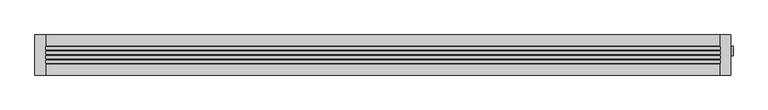
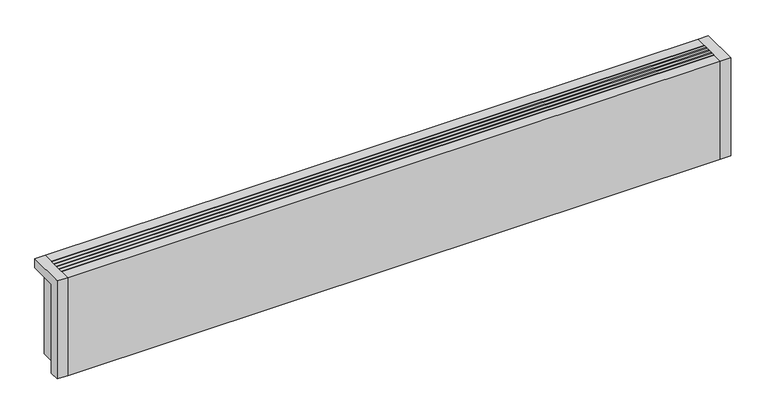
"""IFC4 building model written with IfcOpenShell, lengths in millimetres: proxy geometry."""

from ifc_helpers import new_model, si_unit, point, frame, frame_2d, origin, origin_with_axes, place, context, project, spatial, polyline, circle_curve, ellipse_curve, trimmed, segment, composite_curve, outline, extrude, source, transform, mapped, element, save
from ifc_brep_helpers import plane_surface, cylinder_surface, revolved_surface, advanced_brep


def mechanical_equipment_dc47a771(model_context):
    return source(origin(), model_context, "Body", "SolidModel", [
        extrude(outline(composite_curve([segment(trimmed(circle_curve(frame_2d((7.5, 77.0)), 7.5), [point((15.0, 77.0))], [point((0.0, 77.0))], False, "CARTESIAN"), True, "CONTINUOUS"), segment(trimmed(circle_curve(frame_2d((7.5, 77.0)), 7.5), [point((0.0, 77.0))], [point((15.0, 77.0))], False, "CARTESIAN"), True, "CONTINUOUS")], self_intersect=False)), frame((1244.0, 0.0, 0.0), z_axis=(1.0, 0.0, 0.0), x_axis=(0.0, 1.0, 0.0)), (0.0, 0.0, 1.0), 38.0),
        advanced_brep(
        [(1282.0, 7.5, 77.0), (1282.0, 19.8236127, 77.0), (1282.0, -4.8236127, 77.0), (1304.3972754, -1.4373094, 77.0), (1304.3972754, 16.4373094, 77.0), (1304.3972754, 7.5, 77.0)],
        [
            (0, 1),
            (1, 2, circle_curve(frame((1282.0, 7.5, 77.0), z_axis=(-1.0, 0.0, 0.0), x_axis=(0.0, 1.0, 0.0)), 12.3236127)),
            (2, 0),
            (2, 1, circle_curve(frame((1282.0, 7.5, 77.0), z_axis=(-1.0, 0.0, 0.0), x_axis=(0.0, 1.0, 0.0)), 12.3236127)),
            (3, 4, circle_curve(frame((1304.3972754, 7.5, 77.0), z_axis=(1.0, 0.0, 0.0), x_axis=(0.0, 1.0, 0.0)), 8.9373094)),
            (4, 5),
            (5, 3),
            (4, 3, circle_curve(frame((1304.3972754, 7.5, 77.0), z_axis=(1.0, 0.0, 0.0), x_axis=(0.0, 1.0, 0.0)), 8.9373094)),
            (1, 4, circle_curve(frame((1282.930269, -49.7853335, 77.0), z_axis=(0.0, 0.0, -1.0), x_axis=(1.0, 0.0, 0.0)), 69.6151621)),
            (3, 2, circle_curve(frame((1282.930269, 64.7853335, 77.0), z_axis=(0.0, 0.0, -1.0), x_axis=(1.0, 0.0, 0.0)), 69.6151621)),
        ],
        [
            plane_surface(frame((1282.0, 7.5, 77.0), z_axis=(-1.0, 0.0, 0.0), x_axis=(0.0, 1.0, 0.0))),
            plane_surface(frame((1304.3972754, 7.5, 77.0), z_axis=(1.0, 0.0, 0.0), x_axis=(0.0, 1.0, 0.0))),
            revolved_surface(trimmed(ellipse_curve(frame((1282.930269, -49.7853335, 77.0), z_axis=(0.0, 0.0, 1.0), x_axis=(1.0, 0.0, 0.0)), 69.6151621, 69.6151621), [point((1304.3972754, 16.4373094, 77.0))], [point((1282.0, 19.8236127, 77.0))], True, "CARTESIAN"), (1310.1181216, 7.5, 77.0), (-1.0, 0.0, 0.0)),
        ],
        [
            (0, [[1, 2, 3]]),
            (0, [[-3, 4, -1]]),
            (1, [[5, 6, 7]]),
            (1, [[8, -7, -6]]),
            (2, [[-2, 9, -5, 10]]),
            (2, [[-4, -10, -8, -9]]),
        ],
    ),
        advanced_brep(
        [(1150.0, 7.5, 19.5), (1150.0, 7.5, 34.5), (1186.5, 7.5, 19.5), (1201.5, 7.5, 34.5), (1186.5, 7.5, 0.0), (1201.5, 7.5, 0.0)],
        [
            (0, 1, circle_curve(frame((1150.0, 7.5, 27.0), z_axis=(-1.0, 0.0, 0.0), x_axis=(0.0, 0.0, 1.0)), 7.5)),
            (1, 0, circle_curve(frame((1150.0, 7.5, 27.0), z_axis=(-1.0, 0.0, 0.0), x_axis=(0.0, 0.0, 1.0)), 7.5)),
            (0, 2),
            (2, 3, ellipse_curve(frame((1194.0, 7.5, 27.0), z_axis=(-0.7071067811865469, 0.0, 0.707106781186548), x_axis=(-0.7071067811865481, 0.0, -0.7071067811865468)), 10.6066017, 7.5)),
            (3, 1),
            (3, 2, ellipse_curve(frame((1194.0, 7.5, 27.0), z_axis=(-0.7071067811865469, 0.0, 0.707106781186548), x_axis=(-0.7071067811865481, 0.0, -0.7071067811865468)), 10.6066017, 7.5)),
            (4, 5, circle_curve(frame((1194.0, 7.5, 0.0), z_axis=(0.0, 0.0, -1.0), x_axis=(1.0, 0.0, 0.0)), 7.5)),
            (5, 4, circle_curve(frame((1194.0, 7.5, 0.0), z_axis=(0.0, 0.0, -1.0), x_axis=(1.0, 0.0, 0.0)), 7.5)),
            (2, 4),
            (5, 3),
        ],
        [
            plane_surface(frame((1150.0, 7.5, 27.0), z_axis=(-1.0, 0.0, 0.0), x_axis=(0.0, -1.0, 0.0))),
            cylinder_surface(frame((1150.0, 7.5, 27.0), z_axis=(-1.0, 0.0, 0.0), x_axis=(0.0, 0.0, 1.0)), 7.5),
            plane_surface(frame((1194.0, 7.5, 0.0), z_axis=(0.0, 0.0, -1.0), x_axis=(0.0, -1.0, 0.0))),
            cylinder_surface(frame((1194.0, 7.5, 27.0), z_axis=(0.0, 0.0, 1.0), x_axis=(1.0, 0.0, 0.0)), 7.5),
        ],
        [
            (0, [[1, 2]]),
            (1, [[-1, 3, 4, 5]]),
            (1, [[-2, -5, 6, -3]]),
            (2, [[7, 8]]),
            (3, [[-4, 9, -8, 10]]),
            (3, [[-6, -10, -7, -9]]),
        ],
    ),
        advanced_brep(
        [(1150.0, 7.5, 69.5), (1150.0, 7.5, 84.5), (1236.5, 7.5, 69.5), (1251.5, 7.5, 84.5), (1236.5, 7.5, 0.0), (1251.5, 7.5, 0.0)],
        [
            (0, 1, circle_curve(frame((1150.0, 7.5, 77.0), z_axis=(-1.0, 0.0, 0.0), x_axis=(0.0, 0.0, 1.0)), 7.5)),
            (1, 0, circle_curve(frame((1150.0, 7.5, 77.0), z_axis=(-1.0, 0.0, 0.0), x_axis=(0.0, 0.0, 1.0)), 7.5)),
            (0, 2),
            (2, 3, ellipse_curve(frame((1244.0, 7.5, 77.0), z_axis=(-0.7071067811865469, 0.0, 0.707106781186548), x_axis=(-0.7071067811865481, 0.0, -0.7071067811865468)), 10.6066017, 7.5)),
            (3, 1),
            (3, 2, ellipse_curve(frame((1244.0, 7.5, 77.0), z_axis=(-0.7071067811865469, 0.0, 0.707106781186548), x_axis=(-0.7071067811865481, 0.0, -0.7071067811865468)), 10.6066017, 7.5)),
            (4, 5, circle_curve(frame((1244.0, 7.5, 0.0), z_axis=(0.0, 0.0, -1.0), x_axis=(1.0, 0.0, 0.0)), 7.5)),
            (5, 4, circle_curve(frame((1244.0, 7.5, 0.0), z_axis=(0.0, 0.0, -1.0), x_axis=(1.0, 0.0, 0.0)), 7.5)),
            (2, 4),
            (5, 3),
        ],
        [
            plane_surface(frame((1150.0, 7.5, 77.0), z_axis=(-1.0, 0.0, 0.0), x_axis=(0.0, -1.0, 0.0))),
            cylinder_surface(frame((1150.0, 7.5, 77.0), z_axis=(-1.0, 0.0, 0.0), x_axis=(0.0, 0.0, 1.0)), 7.5),
            plane_surface(frame((1244.0, 7.5, 0.0), z_axis=(0.0, 0.0, -1.0), x_axis=(0.0, -1.0, 0.0))),
            cylinder_surface(frame((1244.0, 7.5, 77.0), z_axis=(0.0, 0.0, 1.0), x_axis=(1.0, 0.0, 0.0)), 7.5),
        ],
        [
            (0, [[1, 2]]),
            (1, [[-1, 3, 4, 5]]),
            (1, [[-2, -5, 6, -3]]),
            (2, [[7, 8]]),
            (3, [[-4, 9, -8, 10]]),
            (3, [[-6, -10, -7, -9]]),
        ],
    ),
        extrude(outline(polyline([(20.0, -1.1666667), (1280.0, -1.1666667), (1280.0, -7.1666667), (20.0, -7.1666667), (20.0, -1.1666667)])), frame((0.0, 0.0, 182.0), z_axis=(0.0, 0.0, 1.0), x_axis=(1.0, 0.0, 0.0)), (0.0, 0.0, 1.0), 18.0),
        extrude(outline(polyline([(20.0, 7.1666667), (1280.0, 7.1666667), (1280.0, 1.1666667), (20.0, 1.1666667), (20.0, 7.1666667)])), frame((0.0, 0.0, 182.0), z_axis=(0.0, 0.0, 1.0), x_axis=(1.0, 0.0, 0.0)), (0.0, 0.0, 1.0), 18.0),
        extrude(outline(polyline([(20.0, -9.5), (1280.0, -9.5), (1280.0, -15.5), (20.0, -15.5), (20.0, -9.5)])), frame((0.0, 0.0, 182.0), z_axis=(0.0, 0.0, 1.0), x_axis=(1.0, 0.0, 0.0)), (0.0, 0.0, 1.0), 18.0),
        extrude(outline(polyline([(20.0, 15.5), (1280.0, 15.5), (1280.0, 9.5), (20.0, 9.5), (20.0, 15.5)])), frame((0.0, 0.0, 182.0), z_axis=(0.0, 0.0, 1.0), x_axis=(1.0, 0.0, 0.0)), (0.0, 0.0, 1.0), 18.0),
        extrude(outline(polyline([(1280.0, 17.5), (20.0, 17.5), (20.0, 37.5), (1280.0, 37.5), (1280.0, 17.5)])), origin_with_axes(), (0.0, 0.0, 1.0), 181.0),
        advanced_brep(
        [(1280.0, -37.5, 200.0), (1300.0, -37.5, 200.0), (1300.0, 37.5, 200.0), (1280.0, 37.5, 200.0), (20.0, 37.5, 200.0), (0.0, 37.5, 200.0), (0.0, -37.5, 200.0), (20.0, -37.5, 200.0), (20.0, -37.5, 0.0), (0.0, -37.5, 0.0), (0.0, -17.5, 0.0), (18.0, -17.5, 0.0), (18.0, 37.5, 0.0), (20.0, 37.5, 0.0), (20.0, 17.5, 0.0), (1280.0, 17.5, 0.0), (1280.0, 37.5, 0.0), (1282.0, 37.5, 0.0), (1282.0, -17.5, 0.0), (1300.0, -17.5, 0.0), (1300.0, -37.5, 0.0), (1280.0, -37.5, 0.0), (1280.0, -17.5, 0.0), (20.0, -17.5, 0.0), (1186.5, 7.5, 0.0), (1201.5, 7.5, 0.0), (1236.5, 7.5, 0.0), (1251.5, 7.5, 0.0), (20.0, -17.5, 181.0), (20.0, 17.5, 181.0), (1280.0, -17.5, 20.0), (1150.0, -17.5, 20.0), (1150.0, -17.5, 181.0), (1280.0, 17.5, 20.0), (1280.0, 14.6414284, 20.0), (1280.0, 17.5, 27.0), (1280.0, -2.5, 27.0), (1280.0, 0.3585716, 20.0), (1280.0, -2.5, 77.0), (1280.0, 17.5, 77.0), (1300.0, -17.5, 181.0), (1300.0, 37.5, 181.0), (1282.0, 37.5, 181.0), (1150.0, 17.5, 181.0), (1150.0, 17.5, 20.0), (18.0, 37.5, 181.0), (0.0, 37.5, 181.0), (0.0, -17.5, 181.0), (1282.0, -17.5, 181.0), (1282.0, 17.5, 27.0), (1282.0, -2.5, 27.0), (1282.0, 17.5, 77.0), (1282.0, -2.5, 77.0), (18.0, -17.5, 181.0), (1186.5, 7.5, 5.0), (1201.5, 7.5, 5.0), (1236.5, 7.5, 5.0), (1251.5, 7.5, 5.0)],
        [
            (0, 1),
            (1, 2),
            (2, 3),
            (3, 0),
            (4, 5),
            (5, 6),
            (6, 7),
            (7, 4),
            (8, 9),
            (9, 10),
            (10, 11),
            (11, 12),
            (12, 13),
            (13, 14),
            (14, 15),
            (15, 16),
            (16, 17),
            (17, 18),
            (18, 19),
            (19, 20),
            (20, 21),
            (21, 22),
            (22, 23),
            (23, 8),
            (24, 25, circle_curve(frame((1194.0, 7.5, 0.0), z_axis=(0.0, 0.0, 1.0), x_axis=(1.0, 0.0, 0.0)), 7.5)),
            (25, 24, circle_curve(frame((1194.0, 7.5, 0.0), z_axis=(0.0, 0.0, 1.0), x_axis=(1.0, 0.0, 0.0)), 7.5)),
            (26, 27, circle_curve(frame((1244.0, 7.5, 0.0), z_axis=(0.0, 0.0, 1.0), x_axis=(1.0, 0.0, 0.0)), 7.5)),
            (27, 26, circle_curve(frame((1244.0, 7.5, 0.0), z_axis=(0.0, 0.0, 1.0), x_axis=(1.0, 0.0, 0.0)), 7.5)),
            (13, 4),
            (7, 8),
            (23, 28),
            (28, 29),
            (29, 14),
            (22, 30),
            (30, 31),
            (31, 32),
            (32, 28),
            (15, 33),
            (33, 34),
            (34, 35, circle_curve(frame((1280.0, 7.5, 27.0), z_axis=(1.0, 0.0, 0.0), x_axis=(0.0, 1.0, 0.0)), 10.0)),
            (35, 36, circle_curve(frame((1280.0, 7.5, 27.0), z_axis=(1.0, 0.0, 0.0), x_axis=(0.0, 1.0, 0.0)), 10.0)),
            (36, 37, circle_curve(frame((1280.0, 7.5, 27.0), z_axis=(1.0, 0.0, 0.0), x_axis=(0.0, 1.0, 0.0)), 10.0)),
            (37, 30),
            (21, 0),
            (3, 16),
            (38, 39, circle_curve(frame((1280.0, 7.5, 77.0), z_axis=(1.0, 0.0, 0.0), x_axis=(0.0, 1.0, 0.0)), 10.0)),
            (39, 38, circle_curve(frame((1280.0, 7.5, 77.0), z_axis=(1.0, 0.0, 0.0), x_axis=(0.0, 1.0, 0.0)), 10.0)),
            (20, 1),
            (19, 40),
            (40, 41),
            (41, 2),
            (41, 42),
            (42, 17),
            (29, 43),
            (43, 44),
            (44, 33),
            (12, 45),
            (45, 46),
            (46, 5),
            (46, 47),
            (47, 10),
            (9, 6),
            (32, 43),
            (44, 31),
            (37, 34),
            (40, 48),
            (48, 42),
            (48, 18),
            (49, 50, circle_curve(frame((1282.0, 7.5, 27.0), z_axis=(-1.0, 0.0, 0.0), x_axis=(0.0, 1.0, 0.0)), 10.0)),
            (50, 49, circle_curve(frame((1282.0, 7.5, 27.0), z_axis=(-1.0, 0.0, 0.0), x_axis=(0.0, 1.0, 0.0)), 10.0)),
            (51, 52, circle_curve(frame((1282.0, 7.5, 77.0), z_axis=(-1.0, 0.0, 0.0), x_axis=(0.0, 1.0, 0.0)), 10.0)),
            (52, 51, circle_curve(frame((1282.0, 7.5, 77.0), z_axis=(-1.0, 0.0, 0.0), x_axis=(0.0, 1.0, 0.0)), 10.0)),
            (45, 53),
            (53, 47),
            (11, 53),
            (37, 34, circle_curve(frame((1280.0, 7.5, 27.0), z_axis=(1.0, 0.0, 0.0), x_axis=(0.0, 1.0, 0.0)), 10.0)),
            (36, 50),
            (49, 35),
            (38, 52),
            (51, 39),
            (54, 55, circle_curve(frame((1194.0, 7.5, 5.0), z_axis=(0.0, 0.0, -1.0), x_axis=(1.0, 0.0, 0.0)), 7.5)),
            (55, 54, circle_curve(frame((1194.0, 7.5, 5.0), z_axis=(0.0, 0.0, -1.0), x_axis=(1.0, 0.0, 0.0)), 7.5)),
            (56, 57, circle_curve(frame((1244.0, 7.5, 5.0), z_axis=(0.0, 0.0, -1.0), x_axis=(1.0, 0.0, 0.0)), 7.5)),
            (57, 56, circle_curve(frame((1244.0, 7.5, 5.0), z_axis=(0.0, 0.0, -1.0), x_axis=(1.0, 0.0, 0.0)), 7.5)),
            (55, 25),
            (24, 54),
            (57, 27),
            (26, 56),
        ],
        [
            plane_surface(frame((20.0, -37.5, 200.0), z_axis=(0.0, 0.0, 1.0), x_axis=(0.0, 1.0, 0.0))),
            plane_surface(frame((20.0, -37.5, 0.0), z_axis=(0.0, 0.0, -1.0), x_axis=(0.0, -1.0, 0.0))),
            plane_surface(frame((20.0, -37.5, 200.0), z_axis=(1.0, 0.0, 0.0), x_axis=(0.0, 0.0, -1.0))),
            plane_surface(frame((20.0, -17.5, 200.0), z_axis=(0.0, -1.0, 0.0), x_axis=(0.0, 0.0, -1.0))),
            plane_surface(frame((1280.0, -17.5, 200.0), z_axis=(-1.0, 0.0, 0.0), x_axis=(0.0, 0.0, -1.0))),
            plane_surface(frame((1280.0, -37.5, 200.0), z_axis=(0.0, -1.0, 0.0), x_axis=(0.0, 0.0, -1.0))),
            plane_surface(frame((1300.0, -37.5, 200.0), z_axis=(1.0, 0.0, 0.0), x_axis=(0.0, 0.0, -1.0))),
            plane_surface(frame((1300.0, 37.5, 200.0), z_axis=(0.0, 1.0, 0.0), x_axis=(0.0, 0.0, -1.0))),
            plane_surface(frame((1280.0, 17.5, 200.0), z_axis=(0.0, 1.0, 0.0), x_axis=(0.0, 0.0, -1.0))),
            plane_surface(frame((20.0, 37.5, 200.0), z_axis=(0.0, 1.0, 0.0), x_axis=(0.0, 0.0, -1.0))),
            plane_surface(frame((0.0, 37.5, 200.0), z_axis=(-1.0, 0.0, 0.0), x_axis=(0.0, 0.0, -1.0))),
            plane_surface(frame((0.0, -37.5, 200.0), z_axis=(0.0, -1.0, 0.0), x_axis=(0.0, 0.0, -1.0))),
            plane_surface(frame((20.0, 17.5, 181.0), z_axis=(0.0, 0.0, 1.0), x_axis=(1.0, 0.0, 0.0))),
            plane_surface(frame((1150.0, 17.5, 20.0), z_axis=(0.0, 0.0, 1.0), x_axis=(0.0, 1.0, 0.0))),
            plane_surface(frame((1150.0, 17.5, 200.0), z_axis=(1.0, 0.0, 0.0), x_axis=(0.0, 0.0, -1.0))),
            plane_surface(frame((1282.0, 37.5, 181.0), z_axis=(0.0, 0.0, -1.0), x_axis=(0.0, -1.0, 0.0))),
            plane_surface(frame((1282.0, 37.5, 181.0), z_axis=(1.0, 0.0, 0.0), x_axis=(0.0, 0.0, -1.0))),
            plane_surface(frame((1282.0, -17.5, 181.0), z_axis=(0.0, 1.0, 0.0), x_axis=(0.0, 0.0, -1.0))),
            plane_surface(frame((0.0, 37.5, 181.0), z_axis=(0.0, 0.0, -1.0), x_axis=(-1.0, 0.0, 0.0))),
            plane_surface(frame((18.0, -17.5, 181.0), z_axis=(-1.0, 0.0, 0.0), x_axis=(0.0, 0.0, -1.0))),
            plane_surface(frame((0.0, -17.5, 181.0), z_axis=(0.0, 1.0, 0.0), x_axis=(0.0, 0.0, -1.0))),
            plane_surface(frame((1280.0, 17.5, 27.0), z_axis=(1.0, 0.0, 0.0), x_axis=(0.0, 0.0, -1.0))),
            revolved_surface(polyline([(1282.0, 17.5, 27.0), (1280.0, 17.5, 27.0)]), (1280.0, 7.5, 27.0), (1.0, 0.0, 0.0)),
            revolved_surface(polyline([(1282.0, 17.5, 77.0), (1280.0, 17.5, 77.0)]), (0.0, 7.5, 77.0), (1.0, 0.0, 0.0)),
            plane_surface(frame((1201.5, 7.5, 5.0), z_axis=(0.0, 0.0, -1.0), x_axis=(0.0, 1.0, 0.0))),
            revolved_surface(polyline([(1201.5, 7.5, 5.0), (1201.5, 7.5, 0.0)]), (1194.0, 7.5, 0.0), (0.0, 0.0, 1.0)),
            revolved_surface(polyline([(1251.5, 7.5, 5.0), (1251.5, 7.5, 0.0)]), (1244.0, 7.5, 0.0), (0.0, 0.0, 1.0)),
        ],
        [
            (0, [[1, 2, 3, 4]]),
            (0, [[5, 6, 7, 8]]),
            (1, [[9, 10, 11, 12, 13, 14, 15, 16, 17, 18, 19, 20, 21, 22, 23, 24], [25, 26], [27, 28]]),
            (2, [[-14, 29, -8, 30, -24, 31, 32, 33]]),
            (3, [[-23, 34, 35, 36, 37, -31]]),
            (4, [[-16, 38, 39, 40, 41, 42, 43, -34, -22, 44, -4, 45], [46, 47]]),
            (5, [[-1, -44, -21, 48]]),
            (6, [[-2, -48, -20, 49, 50, 51]]),
            (7, [[-3, -51, 52, 53, -17, -45]]),
            (8, [[-15, -33, 54, 55, 56, -38]]),
            (9, [[-5, -29, -13, 57, 58, 59]]),
            (10, [[-6, -59, 60, 61, -10, 62]]),
            (11, [[-7, -62, -9, -30]]),
            (12, [[-32, -37, 63, -54]]),
            (13, [[64, -35, -43, 65, -39, -56]]),
            (14, [[-64, -55, -63, -36]]),
            (15, [[66, 67, -52, -50]]),
            (16, [[-67, 68, -18, -53], [69, 70], [71, 72]]),
            (17, [[-66, -49, -19, -68]]),
            (18, [[73, 74, -60, -58]]),
            (19, [[-73, -57, -12, 75]]),
            (20, [[-74, -75, -11, -61]]),
            (21, [[76, -65]]),
            (22, [[-76, -42, 77, -69, 78, -40]]),
            (22, [[-77, -41, -78, -70]]),
            (23, [[79, -71, 80, -46]]),
            (23, [[-79, -47, -80, -72]]),
            (24, [[81, 82]]),
            (24, [[83, 84]]),
            (25, [[-82, 85, -25, 86]]),
            (25, [[-81, -86, -26, -85]]),
            (26, [[-84, 87, -27, 88]]),
            (26, [[-83, -88, -28, -87]]),
        ],
    ),
        extrude(outline(polyline([(1280.0, 17.5), (20.0, 17.5), (20.0, 37.5), (1280.0, 37.5), (1280.0, 17.5)])), frame((0.0, 0.0, 181.0), z_axis=(0.0, 0.0, 1.0), x_axis=(1.0, 0.0, 0.0)), (0.0, 0.0, 1.0), 19.0),
        extrude(outline(polyline([(1280.0, -37.5), (20.0, -37.5), (20.0, -17.5), (1280.0, -17.5), (1280.0, -37.5)])), origin_with_axes(), (0.0, 0.0, 1.0), 200.0),
        extrude(outline(composite_curve([segment(trimmed(circle_curve(frame_2d((7.5, 77.0)), 10.0), [point((-2.5, 77.0))], [point((17.5, 77.0))], False, "CARTESIAN"), True, "CONTINUOUS"), segment(trimmed(circle_curve(frame_2d((7.5, 77.0)), 10.0), [point((17.5, 77.0))], [point((-2.5, 77.0))], False, "CARTESIAN"), True, "CONTINUOUS")], self_intersect=False)), frame((1280.0, 0.0, 0.0), z_axis=(1.0, 0.0, 0.0), x_axis=(0.0, 1.0, 0.0)), (0.0, 0.0, 1.0), 2.0),
        extrude(outline(composite_curve([segment(trimmed(circle_curve(frame_2d((7.5, 27.0)), 10.0), [point((-2.5, 27.0))], [point((17.5, 27.0))], False, "CARTESIAN"), True, "CONTINUOUS"), segment(trimmed(circle_curve(frame_2d((7.5, 27.0)), 10.0), [point((17.5, 27.0))], [point((-2.5, 27.0))], False, "CARTESIAN"), True, "CONTINUOUS")], self_intersect=False)), frame((1280.0, 0.0, 0.0), z_axis=(1.0, 0.0, 0.0), x_axis=(0.0, 1.0, 0.0)), (0.0, 0.0, 1.0), 2.0),
    ])


if __name__ == "__main__":
    model = new_model("IFC4")
    model_context = context("Model", 3, world=origin())
    ifc_project = project(units=[si_unit("LENGTHUNIT", "METRE", prefix="MILLI")], contexts=[model_context])
    site = spatial("IfcSite", under=ifc_project)
    building = spatial("IfcBuilding", under=site)
    placement = place(None, origin())
    mechanical_equipment_shape = mechanical_equipment_dc47a771(model_context)
    element("IfcBuildingElementProxy", 1, Name="Mechanical Equipment", at=placement, inside=building, context=model_context, shape_type="MappedRepresentation", body=[
        mapped(mechanical_equipment_shape, transform((0.0, 0.0, 0.0), x_axis=(1.0, 0.0, 0.0), y_axis=(0.0, 1.0, 0.0), z_axis=(0.0, 0.0, 1.0))),
    ])
    save(model, "model.ifc")
